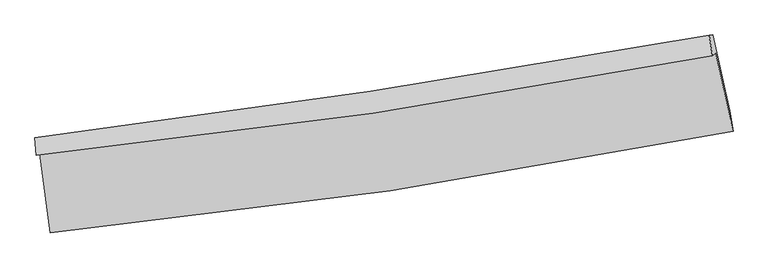
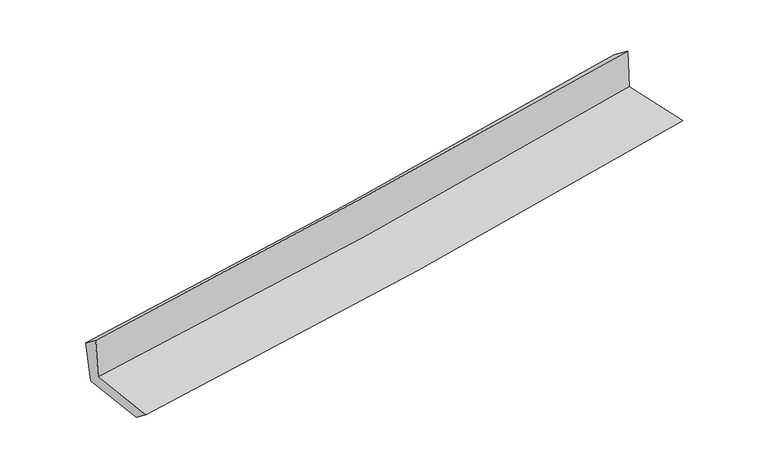
"""IFC4 building model written with IfcOpenShell, lengths in millimetres: proxy geometry."""

from ifc_helpers import new_model, si_unit, frame, origin, place, context, project, spatial, source, transform, mapped, element, save
from ifc_brep_helpers import plane_surface, spline_curve, spline_surface, advanced_brep


def generic_models_03ed4f9b(model_context):
    return source(origin(), model_context, "Body", "AdvancedBrep", [
        advanced_brep(
        [(-2839.497257, -1902.1056516, 1647.6787962), (-2753.3624705, -2558.2994225, 1625.946195), (2935.6064249, -1713.7037543, 2140.9910209), (2791.2186103, -1066.0684294, 2147.6576073), (-2869.302346, -1912.5356913, 2040.2351275), (2763.4532078, -1085.8382601, 2533.4797278), (-2879.1010185, -1768.6010868, 1930.3764495), (2735.9624986, -913.1010773, 2403.0305296), (-2845.2321473, -1792.2386838, 1541.8350452), (2767.0857403, -911.5897073, 2025.5731181), (-2763.1727254, -2413.8659125, 1515.4246386), (2909.7009428, -1541.5253262, 1993.0105044)],
        [
            (0, 1),
            (1, 2, spline_curve(3, [(-2753.3624705, -2558.2994225, 1625.946195), (-1806.562779501, -2465.740866389, 1727.023496008), (-862.082766347, -2349.676757212, 1820.259743374), (1034.299974714, -2068.750583537, 1992.143408456), (1986.142926611, -1903.282803102, 2070.588769731), (2935.6064249, -1713.7037543, 2140.9910209)], [4, 2, 4], [0.0, 9.366633821427952, 18.85318459343131])),
            (2, 3),
            (3, 0, spline_curve(3, [(2791.2186103, -1066.0684294, 2147.6576073), (1853.210890478, -1251.010219448, 2069.952280479), (911.975764252, -1413.45181274, 1989.150130611), (-965.010602431, -1691.5656443, 1822.412729461), (-1900.680765492, -1807.80312506, 1736.555275791), (-2839.497257, -1902.1056516, 1647.6787962)], [4, 2, 4], [0.0, 9.486550772003357, 18.85318459343131])),
            (4, 0),
            (3, 5),
            (5, 4, spline_curve(3, [(2763.4532078, -1085.8382601, 2533.4797278), (1823.288651009, -1266.714289622, 2472.168947113), (880.809822583, -1426.347684476, 2400.080276644), (-996.833500546, -1701.379844146, 2235.394651369), (-1931.939856574, -1817.312259794, 2143.068454794), (-2869.302346, -1912.5356913, 2040.2351275)], [4, 2, 4], [0.0, 9.436826472217748, 18.754364545432004])),
            (6, 4),
            (5, 7),
            (7, 6, spline_curve(3, [(2735.9624986, -913.1010773, 2403.0305296), (1798.342028622, -1080.470037809, 2321.615278553), (858.620304141, -1235.823699972, 2241.276084757), (-1013.120322205, -1520.688525516, 2083.751757339), (-1945.086436363, -1650.501533215, 2006.539590591), (-2879.1010185, -1768.6010868, 1930.3764495)], [4, 2, 4], [0.0, 9.42313929924634, 18.72716321538129])),
            (8, 6),
            (7, 9),
            (9, 8, spline_curve(3, [(2767.0857403, -911.5897073, 2025.5731181), (1830.231537785, -1084.692030906, 1945.85852447), (891.122232085, -1245.016633103, 1865.428797716), (-979.707049022, -1538.245294444, 1704.164807954), (-1911.370372846, -1671.470350885, 1623.348510517), (-2845.2321473, -1792.2386838, 1541.8350452)], [4, 2, 4], [0.0, 9.411629330088372, 18.704288771506462])),
            (10, 8),
            (9, 11),
            (11, 10, spline_curve(3, [(2909.7009428, -1541.5253262, 1993.0105044), (1964.262688435, -1730.002834629, 1910.008386615), (1015.777942694, -1897.264930209, 1828.464579466), (-875.256479867, -2187.51215914, 1669.305925871), (-1817.729623432, -2311.03025887, 1591.654444667), (-2763.1727254, -2413.8659125, 1515.4246386)], [4, 2, 4], [0.0, 9.461922854054762, 18.804240072456732])),
            (1, 10),
            (11, 2),
        ],
        [
            spline_surface(3, 3, [[(-2839.497257, -1902.1056516, 1647.6787962), (-1900.680765488, -1807.80312498, 1736.555275641), (-965.010602571, -1691.56564421, 1822.412729489), (911.975764394, -1413.451812831, 1989.150130582), (1853.21089057, -1251.010219504, 2069.952280419), (2791.2186103, -1066.0684294, 2147.6576073)], [(-2810.785661495, -2120.836908561, 1640.434595819), (-1869.308103493, -2027.115705449, 1733.378015785), (-930.701323825, -1910.93601523, 1821.695067462), (952.750501147, -1631.884736346, 1990.147889872), (1897.521569244, -1468.434414021, 2070.164443523), (2839.347881822, -1281.946871023, 2145.435411846)], [(-2782.074066005, -2339.568165539, 1633.190395381), (-1837.935441513, -2246.428285933, 1730.200755872), (-896.392045056, -2130.306386301, 1820.977405419), (993.525237923, -1850.317659912, 1991.145649148), (1941.832247953, -1685.858608568, 2070.37660659), (2887.477153378, -1497.825312677, 2143.213216354)], [(-2753.3624705, -2558.2994225, 1625.946195), (-1806.562779518, -2465.740866401, 1727.023496015), (-862.08276631, -2349.676757321, 1820.259743392), (1034.299974676, -2068.750583427, 1992.143408438), (1986.142926627, -1903.282803085, 2070.588769693), (2935.6064249, -1713.7037543, 2140.9910209)]], [4, 4], [4, 2, 4], [0.0, 2.1860103187416255], [0.0, 9.366633821427952, 18.85318459343131]),
            spline_surface(3, 3, [[(-2869.302346, -1912.5356913, 2040.2351275), (-1931.939856712, -1817.312259772, 2143.068454811), (-996.833500471, -1701.379844211, 2235.394651289), (880.809822507, -1426.34768441, 2400.080276725), (1823.288650871, -1266.714289579, 2472.168946987), (2763.4532078, -1085.8382601, 2533.4797278)], [(-2859.367316336, -1909.05901139, 1909.383017067), (-1921.52015964, -1814.142548164, 2007.564061755), (-986.225867812, -1698.108444222, 2097.734010688), (891.198469828, -1422.049060562, 2263.103561343), (1833.262730774, -1261.479599564, 2338.096724792), (2772.70834197, -1079.248316543, 2404.872354294)], [(-2849.432286664, -1905.58233151, 1778.530906633), (-1911.10046256, -1810.972836588, 1872.059668697), (-975.61823523, -1694.837044199, 1960.07337009), (901.587117072, -1417.75043668, 2126.126845964), (1843.236810667, -1256.24490952, 2204.024502615), (2781.96347613, -1072.658372957, 2276.264980806)], [(-2839.497257, -1902.1056516, 1647.6787962), (-1900.680765488, -1807.80312498, 1736.555275641), (-965.010602571, -1691.56564421, 1822.412729489), (911.975764394, -1413.451812831, 1989.150130582), (1853.21089057, -1251.010219504, 2069.952280419), (2791.2186103, -1066.0684294, 2147.6576073)]], [4, 4], [4, 2, 4], [0.0, 1.3559726665478051], [0.0, 9.317538073214257, 18.754364545432004]),
            spline_surface(3, 3, [[(-2879.1010185, -1768.6010868, 1930.3764495), (-1945.086436476, -1650.501533143, 2006.53959073), (-1013.120322069, -1520.688525439, 2083.751757216), (858.620304003, -1235.82370005, 2241.276084882), (1798.342028631, -1080.470037925, 2321.615278419), (2735.9624986, -913.1010773, 2403.0305296)], [(-2875.834794321, -1816.579288322, 1966.996008821), (-1940.704243209, -1706.105108709, 2052.049212077), (-1007.691381557, -1580.918965047, 2134.299388565), (866.01681015, -1299.331694854, 2294.210815487), (1806.657569388, -1142.551455163, 2371.799834604), (2745.126068344, -970.680138254, 2446.513595662)], [(-2872.568570179, -1864.557489778, 2003.615568179), (-1936.322049979, -1761.708684206, 2097.558833463), (-1002.262440983, -1641.149404603, 2184.84701994), (873.41331636, -1362.839689606, 2347.145546119), (1814.973110114, -1204.632872341, 2421.984390802), (2754.289638056, -1028.259199146, 2489.996661738)], [(-2869.302346, -1912.5356913, 2040.2351275), (-1931.939856712, -1817.312259772, 2143.068454811), (-996.833500471, -1701.379844211, 2235.394651289), (880.809822507, -1426.34768441, 2400.080276725), (1823.288650871, -1266.714289579, 2472.168946987), (2763.4532078, -1085.8382601, 2533.4797278)]], [4, 4], [4, 2, 4], [0.0, 0.7965931433492713], [0.0, 9.304023916134948, 18.72716321538129]),
            spline_surface(3, 3, [[(-2845.2321473, -1792.2386838, 1541.8350452), (-1911.370372715, -1671.470350858, 1623.348510522), (-979.707049057, -1538.2452943, 1704.164808025), (891.12223212, -1245.016633249, 1865.428797644), (1830.23153764, -1084.692030986, 1945.858524493), (2767.0857403, -911.5897073, 2025.5731181)], [(-2856.521771036, -1784.359484782, 1671.348846619), (-1922.609060638, -1664.480744935, 1751.078870576), (-990.844806721, -1532.393038001, 1830.693791099), (880.288256087, -1241.952322171, 1990.711226734), (1819.601701289, -1083.284699951, 2071.110775818), (2756.711326385, -912.093497286, 2151.392255283)], [(-2867.811394764, -1776.480285818, 1800.862648081), (-1933.847748553, -1657.491139067, 1878.809230675), (-1001.982564404, -1526.540781738, 1957.222774141), (869.454280036, -1238.888011128, 2115.993655792), (1808.971864982, -1081.877368959, 2196.363027094), (2746.336912515, -912.597287314, 2277.211392417)], [(-2879.1010185, -1768.6010868, 1930.3764495), (-1945.086436476, -1650.501533143, 2006.53959073), (-1013.120322069, -1520.688525439, 2083.751757216), (858.620304003, -1235.82370005, 2241.276084882), (1798.342028631, -1080.470037925, 2321.615278419), (2735.9624986, -913.1010773, 2403.0305296)]], [4, 4], [4, 2, 4], [0.0, 1.244626728861562], [0.0, 9.29265944141809, 18.704288771506462]),
            spline_surface(3, 3, [[(-2763.1727254, -2413.8659125, 1515.4246386), (-1817.72962342, -2311.030258777, 1591.654444545), (-875.256479774, -2187.512159021, 1669.30592598), (1015.7779426, -1897.264930329, 1828.464579356), (1964.262688347, -1730.002834659, 1910.008386546), (2909.7009428, -1541.5253262, 1993.0105044)], [(-2790.525866043, -2206.656836275, 1524.228107478), (-1848.943206528, -2097.843622813, 1602.219133215), (-910.073336201, -1971.089870791, 1680.925553305), (974.226039107, -1679.848831312, 1840.785985429), (1919.585638109, -1514.899233441, 1921.958432526), (2862.162541964, -1331.546786573, 2003.864708964)], [(-2817.879006657, -1999.447760025, 1533.031576322), (-1880.156789607, -1884.656986822, 1612.783821852), (-944.89019263, -1754.667582531, 1692.545180699), (932.674135613, -1462.432732266, 1853.107391571), (1874.908587878, -1299.795632204, 1933.908478513), (2814.624141136, -1121.568246927, 2014.718913536)], [(-2845.2321473, -1792.2386838, 1541.8350452), (-1911.370372715, -1671.470350858, 1623.348510522), (-979.707049057, -1538.2452943, 1704.164808025), (891.12223212, -1245.016633249, 1865.428797644), (1830.23153764, -1084.692030986, 1945.858524493), (2767.0857403, -911.5897073, 2025.5731181)]], [4, 4], [4, 2, 4], [0.0, 2.171190431906967], [0.0, 9.34231721840197, 18.804240072456732]),
            spline_surface(3, 3, [[(-2753.3624705, -2558.2994225, 1625.946195), (-1806.562779518, -2465.740866401, 1727.023496015), (-862.08276631, -2349.676757321, 1820.259743392), (1034.299974676, -2068.750583427, 1992.143408438), (1986.142926627, -1903.282803085, 2070.588769693), (2935.6064249, -1713.7037543, 2140.9910209)], [(-2756.632555469, -2510.154919169, 1589.105676197), (-1810.285060821, -2414.170663862, 1681.900478856), (-866.474004136, -2295.621891211, 1769.941804272), (1028.12596398, -2011.588699051, 1937.583798762), (1978.849513882, -1845.522813598, 2017.061975295), (2926.971264214, -1656.310944922, 2091.664182051)], [(-2759.902640431, -2462.010415831, 1552.265157403), (-1814.007342117, -2362.600461316, 1636.777461705), (-870.865241949, -2241.567025131, 1719.623865099), (1021.951953296, -1954.426814705, 1883.024189032), (1971.556101093, -1787.762824146, 1963.535180944), (2918.336103486, -1598.918135578, 2042.337343249)], [(-2763.1727254, -2413.8659125, 1515.4246386), (-1817.72962342, -2311.030258777, 1591.654444545), (-875.256479774, -2187.512159021, 1669.30592598), (1015.7779426, -1897.264930329, 1828.464579356), (1964.262688347, -1730.002834659, 1910.008386546), (2909.7009428, -1541.5253262, 1993.0105044)]], [4, 4], [4, 2, 4], [0.0, 0.7544224667905906], [0.0, 9.402949505278137, 18.926280895082165]),
            plane_surface(frame((2817.1712375, -1205.3044258, 2207.290418), z_axis=(0.9729995522135474, 0.21609176342306033, 0.0810939034265128), x_axis=(-0.08217544435997455, -0.003990506479844812, 0.9966098896771369))),
            plane_surface(frame((-2824.9446608, -2057.9410747, 1716.916042), z_axis=(-0.9887706581254228, -0.12719196213795517, -0.07845247222182038), x_axis=(-0.1300776880702562, 0.9909604713404082, 0.03281980053402465))),
        ],
        [
            (0, [[1, 2, 3, 4]]),
            (1, [[5, -4, 6, 7]]),
            (2, [[8, -7, 9, 10]]),
            (3, [[11, -10, 12, 13]]),
            (4, [[14, -13, 15, 16]]),
            (5, [[17, -16, 18, -2]]),
            (6, [[-12, -9, -6, -3, -18, -15]]),
            (7, [[-1, -5, -8, -11, -14, -17]]),
        ],
    ),
    ])


if __name__ == "__main__":
    model = new_model("IFC4")
    model_context = context("Model", 3, world=origin())
    ifc_project = project(units=[si_unit("LENGTHUNIT", "METRE", prefix="MILLI")], contexts=[model_context])
    site = spatial("IfcSite", under=ifc_project)
    building = spatial("IfcBuilding", under=site)
    placement = place(None, origin())
    generic_models_shape = generic_models_03ed4f9b(model_context)
    element("IfcBuildingElementProxy", 1, Name="Generic Models", at=placement, inside=building, context=model_context, shape_type="MappedRepresentation", body=[
        mapped(generic_models_shape, transform((0.0, 0.0, 0.0), x_axis=(1.0, 0.0, 0.0), y_axis=(0.0, 1.0, 0.0), z_axis=(0.0, 0.0, 1.0))),
    ])
    save(model, "model.ifc")
